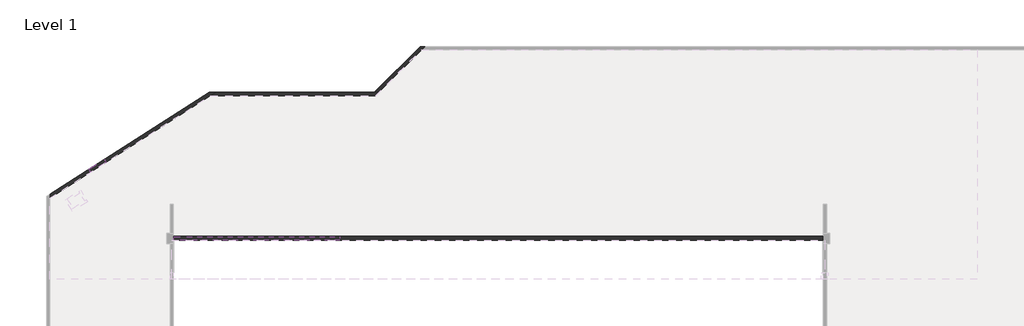
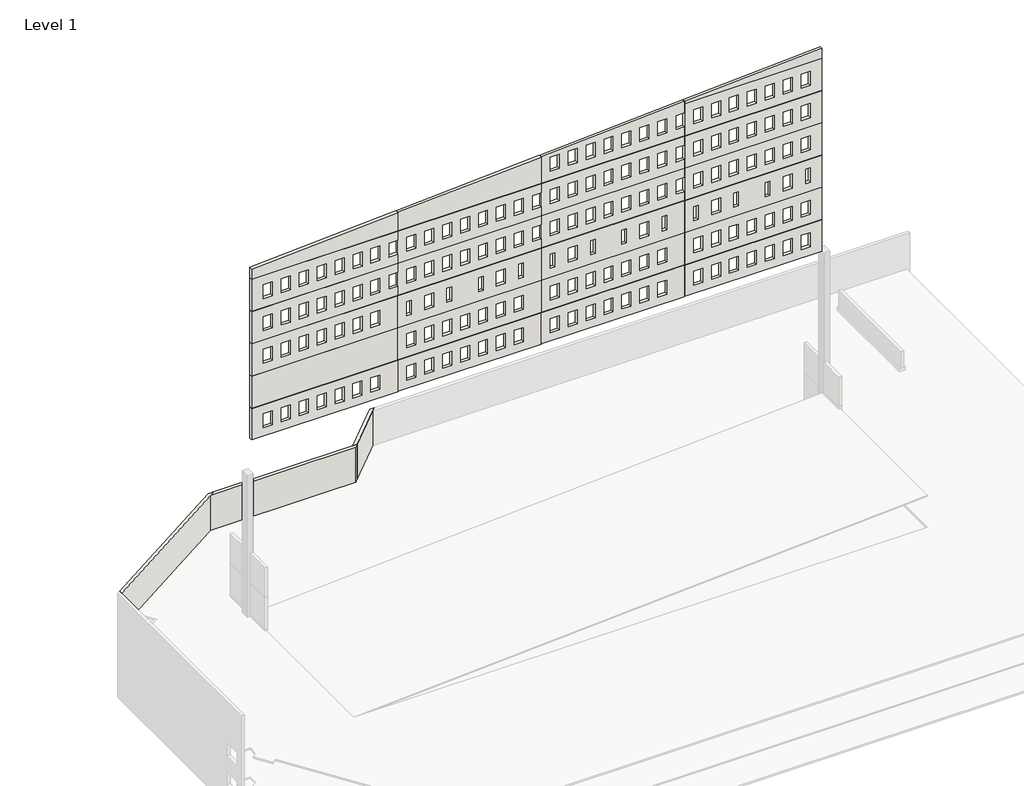
# One storey, part 3 of 4: 6 walls.
"""IFC4 building model written with IfcOpenShell, lengths in millimetres."""

from ifc_helpers import new_model, si_unit, frame, origin, place, context, project, spatial, polyline, outline, extrude, faceted_brep, element, save

model = new_model("IFC4")

# Units and contexts
model_context = context("Model", 3, world=origin())
ifc_project = project(units=[si_unit("LENGTHUNIT", "METRE", prefix="MILLI")], contexts=[model_context])

# Site, building, storey
site = spatial("IfcSite", under=ifc_project)
building = spatial("IfcBuilding", under=site)
storey = spatial("IfcBuildingStorey", under=building, Name="Level 1", Elevation=0.0)

# Walls
placement = place(None, origin())
element("IfcWall", 1, ObjectType="WPC 12\" CIP", at=placement, inside=storey, context=model_context, shape_type="Brep", body=[
    faceted_brep([(-1346.8441069, 19527.2837788, -660.4), (-15625.8776372, 10423.5273518, -660.4), (-15625.8776372, 10423.5273518, 10541.0), (-1346.8441069, 19527.2837788, 10541.0), (-10740.7196937, 13538.114059, 6068.9168432), (-12154.2666136, 12636.8915197, 6068.9168432), (-12154.2666136, 12636.8915197, 4512.4325063), (-10740.7196937, 13538.114059, 4512.4325063), (-10740.7196937, 13538.114059, 2970.1168432), (-12154.2666136, 12636.8915197, 2970.1168432), (-12154.2666136, 12636.8915197, 1413.6325063), (-10740.7196937, 13538.114059, 1413.6325063), (-15625.8776372, 10062.0489227, -660.4), (-1257.9452886, 19222.4837788, -660.4), (-779.8734668, 19527.2837788, -660.4), (-779.8734668, 19527.2837788, 10541.0), (-1257.9452886, 19222.4837788, 10541.0), (-15625.8776372, 10062.0489227, 10541.0), (-11990.4079701, 12379.8829888, 6068.9168432), (-10576.8610502, 13281.1055281, 6068.9168432), (-10576.8610502, 13281.1055281, 4512.4325063), (-11990.4079701, 12379.8829888, 4512.4325063), (-11990.4079701, 12379.8829888, 2970.1168432), (-10576.8610502, 13281.1055281, 2970.1168432), (-10576.8610502, 13281.1055281, 1413.6325063), (-11990.4079701, 12379.8829888, 1413.6325063)], [[[0, 1, 2, 3], [4, 5, 6, 7], [8, 9, 10, 11]], [[12, 13, 14, 15, 16, 17], [18, 19, 20, 21], [22, 23, 24, 25]], [[1, 0, 14, 13, 12]], [[3, 2, 17, 16, 15]], [[2, 1, 12, 17]], [[0, 3, 15, 14]], [[4, 19, 18, 5]], [[6, 21, 20, 7]], [[19, 4, 7, 20]], [[5, 18, 21, 6]], [[8, 23, 22, 9]], [[10, 25, 24, 11]], [[23, 8, 11, 24]], [[9, 22, 25, 10]]]),
])
element("IfcWall", 2, ObjectType="WPC 12\" CIP", at=placement, inside=storey, context=model_context, shape_type="Brep", body=[
    faceted_brep([(13852.3439556, 19527.2837788, -660.4), (13421.2916618, 19527.2837788, -660.4), (-779.8734668, 19527.2837788, -660.4), (-779.8734668, 19527.2837788, 10541.0), (13421.2916618, 19527.2837788, 10541.0), (13852.3439556, 19527.2837788, 10541.0), (13547.5439556, 19222.4837788, -660.4), (13547.5439556, 19222.4837788, 10541.0), (-1257.9452886, 19222.4837788, 10541.0), (-1257.9452886, 19222.4837788, -660.4)], [[[0, 1, 2, 3, 4, 5]], [[6, 7, 8, 9]], [[2, 1, 0, 6, 9]], [[5, 4, 3, 8, 7]], [[3, 2, 9, 8]], [[0, 5, 7, 6]]]),
])
element("IfcWall", 3, ObjectType="WPC 12\" CIP", at=placement, inside=storey, context=model_context, shape_type="Brep", body=[
    faceted_brep([(17536.0916618, 23642.0837788, -660.4), (13421.2916618, 19527.2837788, -660.4), (13421.2916618, 19527.2837788, 10541.0), (17536.0916618, 23642.0837788, 10541.0), (17967.1439556, 23642.0837788, -660.4), (17967.1439556, 23642.0837788, 10541.0), (17662.3439556, 23337.2837788, 10541.0), (13852.3439556, 19527.2837788, 10541.0), (13852.3439556, 19527.2837788, -660.4), (17662.3439556, 23337.2837788, -660.4)], [[[0, 1, 2, 3]], [[4, 5, 6, 7, 8, 9]], [[1, 0, 4, 9, 8]], [[3, 2, 7, 6, 5]], [[2, 1, 8, 7]], [[0, 3, 5, 4]]]),
])
element("IfcWall", 4, ObjectType="WPC 12\" CIP", at=placement, inside=storey, context=model_context, shape_type="SweptSolid", body=[
    extrude(outline(polyline([(-12154.2666136, 12636.8915197), (-10740.7196937, 13538.114059), (-10576.8610502, 13281.1055281), (-11990.4079701, 12379.8829888), (-12154.2666136, 12636.8915197)])), frame((0.0, 0.0, 1413.6325063), z_axis=(0.0, 0.0, 1.0), x_axis=(1.0, 0.0, 0.0)), (0.0, 0.0, 1.0), 1556.4843368),
])
element("IfcWall", 5, ObjectType="WPC 12\" Precast", at=placement, inside=storey, context=model_context, shape_type="SweptSolid", body=[
    extrude(outline(polyline([(25501.6, 39635.2784389), (25501.6, 53630.6784389), (28879.8, 53630.6784389), (28879.8, 39635.2784389), (25501.6, 39635.2784389)]), holes=[polyline([(27914.6, 40549.2082474), (27914.6, 41463.6082474), (26390.6, 41463.6082474), (26390.6, 40549.2082474), (27914.6, 40549.2082474)]), polyline([(27914.6, 42378.0082474), (27914.6, 43292.4082474), (26390.6, 43292.4082474), (26390.6, 42378.0082474), (27914.6, 42378.0082474)]), polyline([(27914.6, 44206.8082474), (27914.6, 45121.2082474), (26390.6, 45121.2082474), (26390.6, 44206.8082474), (27914.6, 44206.8082474)]), polyline([(27914.6, 46035.6082474), (27914.6, 46950.0082474), (26390.6, 46950.0082474), (26390.6, 46035.6082474), (27914.6, 46035.6082474)]), polyline([(27914.6, 47864.4082474), (27914.6, 48778.8082474), (26390.6, 48778.8082474), (26390.6, 47864.4082474), (27914.6, 47864.4082474)]), polyline([(27914.6, 49693.2082474), (27914.6, 50607.6082474), (26390.6, 50607.6082474), (26390.6, 49693.2082474), (27914.6, 49693.2082474)]), polyline([(27914.6, 51522.0082474), (27914.6, 52436.4082474), (26390.6, 52436.4082474), (26390.6, 51522.0082474), (27914.6, 51522.0082474)])]), frame((0.0, 6296.5319731, 0.0), z_axis=(0.0, 1.0, 0.0), x_axis=(0.0, 0.0, 1.0)), (0.0, 0.0, 1.0), 304.8),
    extrude(outline(polyline([(28879.8, -4535.3215611), (25501.6, -4535.3215611), (25501.6, 10349.8899163), (28879.8, 10349.8899163), (28879.8, -4535.3215611)]), holes=[polyline([(27914.6, -3348.8094349), (27914.6, -2434.4094349), (26390.6, -2434.4094349), (26390.6, -3348.8094349), (27914.6, -3348.8094349)]), polyline([(27914.6, -1520.0094349), (27914.6, -605.6094349), (26390.6, -605.6094349), (26390.6, -1520.0094349), (27914.6, -1520.0094349)]), polyline([(27914.6, 308.7905651), (27914.6, 1223.1905651), (26390.6, 1223.1905651), (26390.6, 308.7905651), (27914.6, 308.7905651)]), polyline([(27914.6, 2137.5905651), (27914.6, 3051.9905651), (26390.6, 3051.9905651), (26390.6, 2137.5905651), (27914.6, 2137.5905651)]), polyline([(27914.6, 3966.3905651), (27914.6, 4880.7905651), (26390.6, 4880.7905651), (26390.6, 3966.3905651), (27914.6, 3966.3905651)]), polyline([(27914.6, 5795.1905651), (27914.6, 6709.5905651), (26390.6, 6709.5905651), (26390.6, 5795.1905651), (27914.6, 5795.1905651)]), polyline([(27914.6, 7623.9905651), (27914.6, 8538.3905651), (26390.6, 8538.3905651), (26390.6, 7623.9905651), (27914.6, 7623.9905651)])]), frame((0.0, 6296.5319731, 0.0), z_axis=(0.0, 1.0, 0.0), x_axis=(0.0, 0.0, 1.0)), (0.0, 0.0, 1.0), 304.8),
    extrude(outline(polyline([(44801.348325, 10349.8899163), (43918.1071553, -4535.3215611), (42824.4, -4535.3215611), (42824.4, 10349.8899163), (44801.348325, 10349.8899163)])), frame((0.0, 6296.5319731, 0.0), z_axis=(0.0, 1.0, 0.0), x_axis=(0.0, 0.0, 1.0)), (0.0, 0.0, 1.0), 304.8),
    extrude(outline(polyline([(28905.2, 39635.2784389), (28905.2, 53630.6784389), (32359.6, 53630.6784389), (32359.6, 39635.2784389), (28905.2, 39635.2784389)]), holes=[polyline([(31394.4, 40549.2082474), (31394.4, 41463.6082474), (29870.4, 41463.6082474), (29870.4, 40549.2082474), (31394.4, 40549.2082474)]), polyline([(31394.4, 42378.0082474), (31394.4, 43292.4082474), (29870.4, 43292.4082474), (29870.4, 42378.0082474), (31394.4, 42378.0082474)]), polyline([(31394.4, 44206.8082474), (31394.4, 45121.2082474), (29870.4, 45121.2082474), (29870.4, 44206.8082474), (31394.4, 44206.8082474)]), polyline([(31394.4, 46035.6082474), (31394.4, 46950.0082474), (29870.4, 46950.0082474), (29870.4, 46035.6082474), (31394.4, 46035.6082474)]), polyline([(31394.4, 47864.4082474), (31394.4, 48778.8082474), (29870.4, 48778.8082474), (29870.4, 47864.4082474), (31394.4, 47864.4082474)]), polyline([(31394.4, 49693.2082474), (31394.4, 50607.6082474), (29870.4, 50607.6082474), (29870.4, 49693.2082474), (31394.4, 49693.2082474)]), polyline([(31394.4, 51522.0082474), (31394.4, 52436.4082474), (29870.4, 52436.4082474), (29870.4, 51522.0082474), (31394.4, 51522.0082474)])]), frame((0.0, 6296.5319731, 0.0), z_axis=(0.0, 1.0, 0.0), x_axis=(0.0, 0.0, 1.0)), (0.0, 0.0, 1.0), 304.8),
    extrude(outline(polyline([(32385.0, 39635.2784389), (32385.0, 53630.6784389), (35839.4, 53630.6784389), (35839.4, 39635.2784389), (32385.0, 39635.2784389)]), holes=[polyline([(34874.2, 40549.4854974), (34874.2, 41006.6854974), (33350.2, 41006.6854974), (33350.2, 40549.4854974), (34874.2, 40549.4854974)]), polyline([(34874.2, 42376.7781993), (34874.2, 43291.1781993), (33350.2, 43291.1781993), (33350.2, 42376.7781993), (34874.2, 42376.7781993)]), polyline([(34874.2, 49693.4854974), (34874.2, 50601.5354974), (33350.2, 50601.5354974), (33350.2, 49693.4854974), (34874.2, 49693.4854974)]), polyline([(34874.2, 51979.4854974), (34874.2, 52436.6854974), (33350.2, 52436.6854974), (33350.2, 51979.4854974), (34874.2, 51979.4854974)]), polyline([(34874.2, 44664.2854974), (34874.2, 45121.4854974), (33350.2, 45121.4854974), (33350.2, 44664.2854974), (34874.2, 44664.2854974)]), polyline([(34874.2, 47864.6854974), (34874.2, 48321.8854974), (33350.2, 48321.8854974), (33350.2, 47864.6854974), (34874.2, 47864.6854974)])]), frame((0.0, 6296.5319731, 0.0), z_axis=(0.0, 1.0, 0.0), x_axis=(0.0, 0.0, 1.0)), (0.0, 0.0, 1.0), 304.8),
    extrude(outline(polyline([(42824.4, 10374.9040333), (42824.4, 24979.9903678), (45669.4520167, 24979.9903678), (44802.8325833, 10374.9040333), (42824.4, 10374.9040333)])), frame((0.0, 6296.5319731, 0.0), z_axis=(0.0, 1.0, 0.0), x_axis=(0.0, 0.0, 1.0)), (0.0, 0.0, 1.0), 304.8),
    extrude(outline(polyline([(42824.4, 25005.0044847), (42824.4, 39610.264322), (43789.6, 39610.264322), (43789.6, 38720.8784389), (45313.6, 38720.8784389), (45313.6, 39610.264322), (46537.5660035, 39610.264322), (45670.936275, 25005.0044847), (42824.4, 25005.0044847)]), holes=[polyline([(45313.6, 25919.0854974), (45313.6, 26833.4854974), (43789.6, 26833.4854974), (43789.6, 25919.0854974), (45313.6, 25919.0854974)]), polyline([(45313.6, 27747.8854974), (45313.6, 28662.2854974), (43789.6, 28662.2854974), (43789.6, 27747.8854974), (45313.6, 27747.8854974)]), polyline([(45313.6, 29576.6854974), (45313.6, 30491.0854974), (43789.6, 30491.0854974), (43789.6, 29576.6854974), (45313.6, 29576.6854974)]), polyline([(45313.6, 31405.4854974), (45313.6, 32319.8854974), (43789.6, 32319.8854974), (43789.6, 31405.4854974), (45313.6, 31405.4854974)]), polyline([(45313.6, 33234.2854974), (45313.6, 34148.6854974), (43789.6, 34148.6854974), (43789.6, 33234.2854974), (45313.6, 33234.2854974)]), polyline([(45313.6, 35063.0854974), (45313.6, 35977.4854974), (43789.6, 35977.4854974), (43789.6, 35063.0854974), (45313.6, 35063.0854974)]), polyline([(45313.6, 36891.8854974), (45313.6, 37806.2854974), (43789.6, 37806.2854974), (43789.6, 36891.8854974), (45313.6, 36891.8854974)])]), frame((0.0, 6296.5319731, 0.0), z_axis=(0.0, 1.0, 0.0), x_axis=(0.0, 0.0, 1.0)), (0.0, 0.0, 1.0), 304.8),
    extrude(outline(polyline([(25501.6, 25005.0044847), (25501.6, 39610.264322), (28879.8, 39610.264322), (28879.8, 25005.0044847), (25501.6, 25005.0044847)]), holes=[polyline([(27914.6, 25918.8082474), (27914.6, 26833.2082474), (26390.6, 26833.2082474), (26390.6, 25918.8082474), (27914.6, 25918.8082474)]), polyline([(27914.6, 27747.6082474), (27914.6, 28662.0082474), (26390.6, 28662.0082474), (26390.6, 27747.6082474), (27914.6, 27747.6082474)]), polyline([(27914.6, 29576.4082474), (27914.6, 30490.8082474), (26390.6, 30490.8082474), (26390.6, 29576.4082474), (27914.6, 29576.4082474)]), polyline([(27914.6, 31405.2082474), (27914.6, 32319.6082474), (26390.6, 32319.6082474), (26390.6, 31405.2082474), (27914.6, 31405.2082474)]), polyline([(27914.6, 33234.0082474), (27914.6, 34148.4082474), (26390.6, 34148.4082474), (26390.6, 33234.0082474), (27914.6, 33234.0082474)]), polyline([(27914.6, 35062.8082474), (27914.6, 35977.2082474), (26390.6, 35977.2082474), (26390.6, 35062.8082474), (27914.6, 35062.8082474)]), polyline([(27914.6, 36891.6082474), (27914.6, 37806.0082474), (26390.6, 37806.0082474), (26390.6, 36891.6082474), (27914.6, 36891.6082474)])]), frame((0.0, 6296.5319731, 0.0), z_axis=(0.0, 1.0, 0.0), x_axis=(0.0, 0.0, 1.0)), (0.0, 0.0, 1.0), 304.8),
    extrude(outline(polyline([(25501.6, 10374.9040333), (25501.6, 24979.9903678), (28879.8, 24979.9903678), (28879.8, 10374.9040333), (25501.6, 10374.9040333)]), holes=[polyline([(27914.6, 11288.6854974), (27914.6, 12203.0854974), (26390.6, 12203.0854974), (26390.6, 11288.6854974), (27914.6, 11288.6854974)]), polyline([(27914.6, 13117.4854974), (27914.6, 14031.8854974), (26390.6, 14031.8854974), (26390.6, 13117.4854974), (27914.6, 13117.4854974)]), polyline([(27914.6, 14946.2854974), (27914.6, 15860.6854974), (26390.6, 15860.6854974), (26390.6, 14946.2854974), (27914.6, 14946.2854974)]), polyline([(27914.6, 16775.0854974), (27914.6, 17689.4854974), (26390.6, 17689.4854974), (26390.6, 16775.0854974), (27914.6, 16775.0854974)]), polyline([(27914.6, 18603.8854974), (27914.6, 19518.2854974), (26390.6, 19518.2854974), (26390.6, 18603.8854974), (27914.6, 18603.8854974)]), polyline([(27914.6, 20432.6854974), (27914.6, 21347.0854974), (26390.6, 21347.0854974), (26390.6, 20432.6854974), (27914.6, 20432.6854974)]), polyline([(27914.6, 22261.4854974), (27914.6, 23175.8854974), (26390.6, 23175.8854974), (26390.6, 22261.4854974), (27914.6, 22261.4854974)])]), frame((0.0, 6296.5319731, 0.0), z_axis=(0.0, 1.0, 0.0), x_axis=(0.0, 0.0, 1.0)), (0.0, 0.0, 1.0), 304.8),
    extrude(outline(polyline([(42799.0, -4535.3215611), (39344.6, -4535.3215611), (39344.6, 10349.8899163), (40309.8, 10349.8899163), (40309.8, 9447.8486304), (41833.8, 9447.8486304), (41833.8, 10349.8899163), (42799.0, 10349.8899163), (42799.0, -4535.3215611)]), holes=[polyline([(41833.8, -3341.1600026), (41833.8, -2426.7600026), (40309.8, -2426.7600026), (40309.8, -3341.1600026), (41833.8, -3341.1600026)]), polyline([(41833.8, -1512.3600026), (41833.8, -597.9600026), (40309.8, -597.9600026), (40309.8, -1512.3600026), (41833.8, -1512.3600026)]), polyline([(41833.8, 316.4399974), (41833.8, 1230.8399974), (40309.8, 1230.8399974), (40309.8, 316.4399974), (41833.8, 316.4399974)]), polyline([(41833.8, 2145.2399974), (41833.8, 3059.6399974), (40309.8, 3059.6399974), (40309.8, 2145.2399974), (41833.8, 2145.2399974)]), polyline([(41833.8, 3974.0399974), (41833.8, 4888.4399974), (40309.8, 4888.4399974), (40309.8, 3974.0399974), (41833.8, 3974.0399974)]), polyline([(41833.8, 5802.8399974), (41833.8, 6717.2399974), (40309.8, 6717.2399974), (40309.8, 5802.8399974), (41833.8, 5802.8399974)]), polyline([(41833.8, 7631.6399974), (41833.8, 8546.0399974), (40309.8, 8546.0399974), (40309.8, 7631.6399974), (41833.8, 7631.6399974)])]), frame((0.0, 6296.5319731, 0.0), z_axis=(0.0, 1.0, 0.0), x_axis=(0.0, 0.0, 1.0)), (0.0, 0.0, 1.0), 304.8),
    extrude(outline(polyline([(42799.0, 10374.9040333), (40311.3045091, 10374.9040333), (39344.6, 10374.9040333), (39344.6, 24979.9903678), (40309.8, 24979.9903678), (40309.8, 24077.9713805), (41833.8, 24077.9713805), (41833.8, 24979.9903678), (42799.0, 24979.9903678), (42799.0, 10374.9040333)]), holes=[polyline([(41833.8, 11288.6854974), (41833.8, 12203.0854974), (40309.8, 12203.0854974), (40309.8, 11288.6854974), (41833.8, 11288.6854974)]), polyline([(41833.8, 13117.4854974), (41833.8, 14031.8854974), (40309.8, 14031.8854974), (40309.8, 13117.4854974), (41833.8, 13117.4854974)]), polyline([(41833.8, 14946.2854974), (41833.8, 15860.6854974), (40309.8, 15860.6854974), (40309.8, 14946.2854974), (41833.8, 14946.2854974)]), polyline([(41833.8, 16775.0854974), (41833.8, 17689.4854974), (40309.8, 17689.4854974), (40309.8, 16775.0854974), (41833.8, 16775.0854974)]), polyline([(41833.8, 18603.8854974), (41833.8, 19518.2854974), (40309.8, 19518.2854974), (40309.8, 18603.8854974), (41833.8, 18603.8854974)]), polyline([(41833.8, 20432.6854974), (41833.8, 21347.0854974), (40309.8, 21347.0854974), (40309.8, 20432.6854974), (41833.8, 20432.6854974)]), polyline([(41833.8, 22261.4854974), (41833.8, 23175.8854974), (40309.8, 23175.8854974), (40309.8, 22261.4854974), (41833.8, 22261.4854974)])]), frame((0.0, 6296.5319731, 0.0), z_axis=(0.0, 1.0, 0.0), x_axis=(0.0, 0.0, 1.0)), (0.0, 0.0, 1.0), 304.8),
    extrude(outline(polyline([(42799.0, 25005.0044847), (39344.6, 25005.0044847), (39344.6, 39610.264322), (40309.8, 39610.264322), (40309.8, 38720.8784389), (41833.8, 38720.8784389), (41833.8, 39610.264322), (42799.0, 39610.264322), (42799.0, 25005.0044847)]), holes=[polyline([(41833.8, 25919.0854974), (41833.8, 26833.4854974), (40309.8, 26833.4854974), (40309.8, 25919.0854974), (41833.8, 25919.0854974)]), polyline([(41833.8, 27747.8854974), (41833.8, 28662.2854974), (40309.8, 28662.2854974), (40309.8, 27747.8854974), (41833.8, 27747.8854974)]), polyline([(41833.8, 29576.6854974), (41833.8, 30491.0854974), (40309.8, 30491.0854974), (40309.8, 29576.6854974), (41833.8, 29576.6854974)]), polyline([(41833.8, 31405.4854974), (41833.8, 32319.8854974), (40309.8, 32319.8854974), (40309.8, 31405.4854974), (41833.8, 31405.4854974)]), polyline([(41833.8, 33234.2854974), (41833.8, 34148.6854974), (40309.8, 34148.6854974), (40309.8, 33234.2854974), (41833.8, 33234.2854974)]), polyline([(41833.8, 35063.0854974), (41833.8, 35977.4854974), (40309.8, 35977.4854974), (40309.8, 35063.0854974), (41833.8, 35063.0854974)]), polyline([(41833.8, 36891.8854974), (41833.8, 37806.2854974), (40309.8, 37806.2854974), (40309.8, 36891.8854974), (41833.8, 36891.8854974)])]), frame((0.0, 6296.5319731, 0.0), z_axis=(0.0, 1.0, 0.0), x_axis=(0.0, 0.0, 1.0)), (0.0, 0.0, 1.0), 304.8),
    extrude(outline(polyline([(39319.2, 10374.9040333), (35864.8, 10374.9040333), (35864.8, 24979.9903678), (36830.0, 24979.9903678), (36830.0, 24077.9713805), (38354.0, 24077.9713805), (38354.0, 24979.9903678), (39319.2, 24979.9903678), (39319.2, 10374.9040333)]), holes=[polyline([(38354.0, 11288.6854974), (38354.0, 12203.0854974), (36830.0, 12203.0854974), (36830.0, 11288.6854974), (38354.0, 11288.6854974)]), polyline([(38354.0, 13117.4854974), (38354.0, 14031.8854974), (36830.0, 14031.8854974), (36830.0, 13117.4854974), (38354.0, 13117.4854974)]), polyline([(38354.0, 14946.2854974), (38354.0, 15860.6854974), (36830.0, 15860.6854974), (36830.0, 14946.2854974), (38354.0, 14946.2854974)]), polyline([(38354.0, 16775.0854974), (38354.0, 17689.4854974), (36830.0, 17689.4854974), (36830.0, 16775.0854974), (38354.0, 16775.0854974)]), polyline([(38354.0, 18603.8854974), (38354.0, 19518.2854974), (36830.0, 19518.2854974), (36830.0, 18603.8854974), (38354.0, 18603.8854974)]), polyline([(38354.0, 20432.6854974), (38354.0, 21347.0854974), (36830.0, 21347.0854974), (36830.0, 20432.6854974), (38354.0, 20432.6854974)]), polyline([(38354.0, 22261.4854974), (38354.0, 23175.8854974), (36830.0, 23175.8854974), (36830.0, 22261.4854974), (38354.0, 22261.4854974)])]), frame((0.0, 6296.5319731, 0.0), z_axis=(0.0, 1.0, 0.0), x_axis=(0.0, 0.0, 1.0)), (0.0, 0.0, 1.0), 304.8),
    extrude(outline(polyline([(39319.2, -4535.3215611), (35864.8, -4535.3215611), (35864.8, 10349.8899163), (36830.0, 10349.8899163), (36830.0, 9447.8486304), (38354.0, 9447.8486304), (38354.0, 10349.8899163), (39319.2, 10349.8899163), (39319.2, -4535.3215611)]), holes=[polyline([(38354.0, -3341.1600026), (38354.0, -2426.7600026), (36830.0, -2426.7600026), (36830.0, -3341.1600026), (38354.0, -3341.1600026)]), polyline([(38354.0, -1512.3600026), (38354.0, -597.9600026), (36830.0, -597.9600026), (36830.0, -1512.3600026), (38354.0, -1512.3600026)]), polyline([(38354.0, 316.4399974), (38354.0, 1230.8399974), (36830.0, 1230.8399974), (36830.0, 316.4399974), (38354.0, 316.4399974)]), polyline([(38354.0, 2145.2399974), (38354.0, 3059.6399974), (36830.0, 3059.6399974), (36830.0, 2145.2399974), (38354.0, 2145.2399974)]), polyline([(38354.0, 3974.0399974), (38354.0, 4888.4399974), (36830.0, 4888.4399974), (36830.0, 3974.0399974), (38354.0, 3974.0399974)]), polyline([(38354.0, 5802.8399974), (38354.0, 6717.2399974), (36830.0, 6717.2399974), (36830.0, 5802.8399974), (38354.0, 5802.8399974)]), polyline([(38354.0, 7631.6399974), (38354.0, 8546.0399974), (36830.0, 8546.0399974), (36830.0, 7631.6399974), (38354.0, 7631.6399974)])]), frame((0.0, 6296.5319731, 0.0), z_axis=(0.0, 1.0, 0.0), x_axis=(0.0, 0.0, 1.0)), (0.0, 0.0, 1.0), 304.8),
    extrude(outline(polyline([(32385.0, 10374.9040333), (32385.0, 24979.9903678), (35839.4, 24979.9903678), (35839.4, 10374.9040333), (32385.0, 10374.9040333)]), holes=[polyline([(34874.2, 11288.6854974), (34874.2, 11745.8854974), (33350.2, 11745.8854974), (33350.2, 11288.6854974), (34874.2, 11288.6854974)]), polyline([(34874.2, 13117.4854974), (34874.2, 14031.8854974), (33350.2, 14031.8854974), (33350.2, 13117.4854974), (34874.2, 13117.4854974)]), polyline([(34874.2, 15379.7281953), (34874.2, 15860.6854974), (33350.2, 15860.6854974), (33350.2, 15379.7281953), (34874.2, 15379.7281953)]), polyline([(34874.2, 18603.8854974), (34874.2, 19096.3484124), (33350.2, 19096.3484124), (33350.2, 18603.8854974), (34874.2, 18603.8854974)]), polyline([(34874.2, 20432.6854974), (34874.2, 21347.0854974), (33350.2, 21347.0854974), (33350.2, 20432.6854974), (34874.2, 20432.6854974)]), polyline([(34874.2, 22718.6854974), (34874.2, 23175.8854974), (33350.2, 23175.8854974), (33350.2, 22718.6854974), (34874.2, 22718.6854974)])]), frame((0.0, 6296.5319731, 0.0), z_axis=(0.0, 1.0, 0.0), x_axis=(0.0, 0.0, 1.0)), (0.0, 0.0, 1.0), 304.8),
    extrude(outline(polyline([(35839.4, -4535.3215611), (32385.0, -4535.3215611), (32385.0, 10349.8899163), (35839.4, 10349.8899163), (35839.4, -4535.3215611)]), holes=[polyline([(34874.2, -3341.1600026), (34874.2, -2426.7600026), (33350.2, -2426.7600026), (33350.2, -3341.1600026), (34874.2, -3341.1600026)]), polyline([(34874.2, -1512.3600026), (34874.2, -597.9600026), (33350.2, -597.9600026), (33350.2, -1512.3600026), (34874.2, -1512.3600026)]), polyline([(34874.2, 316.4399974), (34874.2, 1230.8399974), (33350.2, 1230.8399974), (33350.2, 316.4399974), (34874.2, 316.4399974)]), polyline([(34874.2, 2145.2399974), (34874.2, 3059.6399974), (33350.2, 3059.6399974), (33350.2, 2145.2399974), (34874.2, 2145.2399974)]), polyline([(34874.2, 3974.0399974), (34874.2, 4888.4399974), (33350.2, 4888.4399974), (33350.2, 3974.0399974), (34874.2, 3974.0399974)]), polyline([(34874.2, 5802.8399974), (34874.2, 6717.2399974), (33350.2, 6717.2399974), (33350.2, 5802.8399974), (34874.2, 5802.8399974)]), polyline([(34874.2, 7631.6399974), (34874.2, 8546.0399974), (33350.2, 8546.0399974), (33350.2, 7631.6399974), (34874.2, 7631.6399974)])]), frame((0.0, 6296.5319731, 0.0), z_axis=(0.0, 1.0, 0.0), x_axis=(0.0, 0.0, 1.0)), (0.0, 0.0, 1.0), 304.8),
    extrude(outline(polyline([(28905.2, 10374.9040333), (28905.2, 24979.9903678), (32359.6, 24979.9903678), (32359.6, 10374.9040333), (28905.2, 10374.9040333)]), holes=[polyline([(31394.4, 11288.6854974), (31394.4, 12203.0854974), (29870.4, 12203.0854974), (29870.4, 11288.6854974), (31394.4, 11288.6854974)]), polyline([(31394.4, 13117.4854974), (31394.4, 14031.8854974), (29870.4, 14031.8854974), (29870.4, 13117.4854974), (31394.4, 13117.4854974)]), polyline([(31394.4, 14946.2854974), (31394.4, 15860.6854974), (29870.4, 15860.6854974), (29870.4, 14946.2854974), (31394.4, 14946.2854974)]), polyline([(31394.4, 16775.0854974), (31394.4, 17689.4854974), (29870.4, 17689.4854974), (29870.4, 16775.0854974), (31394.4, 16775.0854974)]), polyline([(31394.4, 18603.8854974), (31394.4, 19518.2854974), (29870.4, 19518.2854974), (29870.4, 18603.8854974), (31394.4, 18603.8854974)]), polyline([(31394.4, 20432.6854974), (31394.4, 21347.0854974), (29870.4, 21347.0854974), (29870.4, 20432.6854974), (31394.4, 20432.6854974)]), polyline([(31394.4, 22261.4854974), (31394.4, 23175.8854974), (29870.4, 23175.8854974), (29870.4, 22261.4854974), (31394.4, 22261.4854974)])]), frame((0.0, 6296.5319731, 0.0), z_axis=(0.0, 1.0, 0.0), x_axis=(0.0, 0.0, 1.0)), (0.0, 0.0, 1.0), 304.8),
    extrude(outline(polyline([(-4535.3215611, 6601.3319731), (10349.8899163, 6601.3319731), (10349.8899163, 6296.5319731), (-4535.3215611, 6296.5319731), (-4535.3215611, 6601.3319731)])), frame((0.0, 0.0, 28905.2), z_axis=(0.0, 0.0, 1.0), x_axis=(1.0, 0.0, 0.0)), (0.0, 0.0, 1.0), 3454.4),
    extrude(outline(polyline([(32385.0, 25005.0044847), (32385.0, 39610.264322), (35839.4, 39610.264322), (35839.4, 25005.0044847), (32385.0, 25005.0044847)]), holes=[polyline([(34874.2, 25919.0854974), (34874.2, 26376.2854974), (33350.2, 26376.2854974), (33350.2, 25919.0854974), (34874.2, 25919.0854974)]), polyline([(34874.2, 27747.8854974), (34874.2, 28662.2854974), (33350.2, 28662.2854974), (33350.2, 27747.8854974), (34874.2, 27747.8854974)]), polyline([(34874.2, 35063.0854974), (34874.2, 35977.4854974), (33350.2, 35977.4854974), (33350.2, 35063.0854974), (34874.2, 35063.0854974)]), polyline([(34874.2, 37349.0854974), (34874.2, 37806.2854974), (33350.2, 37806.2854974), (33350.2, 37349.0854974), (34874.2, 37349.0854974)]), polyline([(34874.2, 30033.8854974), (34874.2, 30491.0854974), (33350.2, 30491.0854974), (33350.2, 30033.8854974), (34874.2, 30033.8854974)]), polyline([(34874.2, 33234.2854974), (34874.2, 33691.4854974), (33350.2, 33691.4854974), (33350.2, 33234.2854974), (34874.2, 33234.2854974)])]), frame((0.0, 6296.5319731, 0.0), z_axis=(0.0, 1.0, 0.0), x_axis=(0.0, 0.0, 1.0)), (0.0, 0.0, 1.0), 304.8),
    extrude(outline(polyline([(28905.2, 25005.0044847), (28905.2, 39610.264322), (32359.6, 39610.264322), (32359.6, 25005.0044847), (28905.2, 25005.0044847)]), holes=[polyline([(31394.4, 25918.8082474), (31394.4, 26833.2082474), (29870.4, 26833.2082474), (29870.4, 25918.8082474), (31394.4, 25918.8082474)]), polyline([(31394.4, 27747.6082474), (31394.4, 28662.0082474), (29870.4, 28662.0082474), (29870.4, 27747.6082474), (31394.4, 27747.6082474)]), polyline([(31394.4, 29576.4082474), (31394.4, 30490.8082474), (29870.4, 30490.8082474), (29870.4, 29576.4082474), (31394.4, 29576.4082474)]), polyline([(31394.4, 31405.2082474), (31394.4, 32319.6082474), (29870.4, 32319.6082474), (29870.4, 31405.2082474), (31394.4, 31405.2082474)]), polyline([(31394.4, 33234.0082474), (31394.4, 34148.4082474), (29870.4, 34148.4082474), (29870.4, 33234.0082474), (31394.4, 33234.0082474)]), polyline([(31394.4, 35062.8082474), (31394.4, 35977.2082474), (29870.4, 35977.2082474), (29870.4, 35062.8082474), (31394.4, 35062.8082474)]), polyline([(31394.4, 36891.6082474), (31394.4, 37806.0082474), (29870.4, 37806.0082474), (29870.4, 36891.6082474), (31394.4, 36891.6082474)])]), frame((0.0, 6296.5319731, 0.0), z_axis=(0.0, 1.0, 0.0), x_axis=(0.0, 0.0, 1.0)), (0.0, 0.0, 1.0), 304.8),
    extrude(outline(polyline([(46304.2, 53630.6784389), (47369.4928447, 53630.6784389), (46539.0502618, 39635.2784389), (46304.2, 39635.2784389), (46304.2, 53630.6784389)])), frame((0.0, 6296.5319731, 0.0), z_axis=(0.0, 1.0, 0.0), x_axis=(0.0, 0.0, 1.0)), (0.0, 0.0, 1.0), 304.8),
    extrude(outline(polyline([(42824.4, 39635.2784389), (42824.4, 53630.6784389), (46278.8, 53630.6784389), (46278.8, 39635.2784389), (42824.4, 39635.2784389)]), holes=[polyline([(45313.6, 40549.4854974), (45313.6, 41463.8854974), (43789.6, 41463.8854974), (43789.6, 40549.4854974), (45313.6, 40549.4854974)]), polyline([(45313.6, 42378.2854974), (45313.6, 43292.6854974), (43789.6, 43292.6854974), (43789.6, 42378.2854974), (45313.6, 42378.2854974)]), polyline([(45313.6, 44207.0854974), (45313.6, 45121.4854974), (43789.6, 45121.4854974), (43789.6, 44207.0854974), (45313.6, 44207.0854974)]), polyline([(45313.6, 46035.8854974), (45313.6, 46950.2854974), (43789.6, 46950.2854974), (43789.6, 46035.8854974), (45313.6, 46035.8854974)]), polyline([(45313.6, 47864.6854974), (45313.6, 48779.0854974), (43789.6, 48779.0854974), (43789.6, 47864.6854974), (45313.6, 47864.6854974)]), polyline([(45313.6, 49693.4854974), (45313.6, 50607.8854974), (43789.6, 50607.8854974), (43789.6, 49693.4854974), (45313.6, 49693.4854974)]), polyline([(45313.6, 51522.2854974), (45313.6, 52436.6854974), (43789.6, 52436.6854974), (43789.6, 51522.2854974), (45313.6, 51522.2854974)])]), frame((0.0, 6296.5319731, 0.0), z_axis=(0.0, 1.0, 0.0), x_axis=(0.0, 0.0, 1.0)), (0.0, 0.0, 1.0), 304.8),
    extrude(outline(polyline([(35864.8, 39635.2784389), (35864.8, 53630.6784389), (39319.2, 53630.6784389), (39319.2, 39635.2784389), (35864.8, 39635.2784389)]), holes=[polyline([(38354.0, 40549.4854974), (38354.0, 41463.8854974), (36830.0, 41463.8854974), (36830.0, 40549.4854974), (38354.0, 40549.4854974)]), polyline([(38354.0, 42378.2854974), (38354.0, 43292.6854974), (36830.0, 43292.6854974), (36830.0, 42378.2854974), (38354.0, 42378.2854974)]), polyline([(38354.0, 44207.0854974), (38354.0, 45121.4854974), (36830.0, 45121.4854974), (36830.0, 44207.0854974), (38354.0, 44207.0854974)]), polyline([(38354.0, 46035.8854974), (38354.0, 46950.2854974), (36830.0, 46950.2854974), (36830.0, 46035.8854974), (38354.0, 46035.8854974)]), polyline([(38354.0, 47864.6854974), (38354.0, 48779.0854974), (36830.0, 48779.0854974), (36830.0, 47864.6854974), (38354.0, 47864.6854974)]), polyline([(38354.0, 49693.4854974), (38354.0, 50607.8854974), (36830.0, 50607.8854974), (36830.0, 49693.4854974), (38354.0, 49693.4854974)]), polyline([(38354.0, 51522.2854974), (38354.0, 52436.6854974), (36830.0, 52436.6854974), (36830.0, 51522.2854974), (38354.0, 51522.2854974)])]), frame((0.0, 6296.5319731, 0.0), z_axis=(0.0, 1.0, 0.0), x_axis=(0.0, 0.0, 1.0)), (0.0, 0.0, 1.0), 304.8),
    extrude(outline(polyline([(39344.6, 39635.2784389), (39344.6, 53630.6784389), (42799.0, 53630.6784389), (42799.0, 39635.2784389), (39344.6, 39635.2784389)]), holes=[polyline([(41833.8, 40549.4854974), (41833.8, 41463.8854974), (40309.8, 41463.8854974), (40309.8, 40549.4854974), (41833.8, 40549.4854974)]), polyline([(41833.8, 42378.2854974), (41833.8, 43292.6854974), (40309.8, 43292.6854974), (40309.8, 42378.2854974), (41833.8, 42378.2854974)]), polyline([(41833.8, 44207.0854974), (41833.8, 45121.4854974), (40309.8, 45121.4854974), (40309.8, 44207.0854974), (41833.8, 44207.0854974)]), polyline([(41833.8, 46035.8854974), (41833.8, 46950.2854974), (40309.8, 46950.2854974), (40309.8, 46035.8854974), (41833.8, 46035.8854974)]), polyline([(41833.8, 47864.6854974), (41833.8, 48779.0854974), (40309.8, 48779.0854974), (40309.8, 47864.6854974), (41833.8, 47864.6854974)]), polyline([(41833.8, 49693.4854974), (41833.8, 50607.8854974), (40309.8, 50607.8854974), (40309.8, 49693.4854974), (41833.8, 49693.4854974)]), polyline([(41833.8, 51522.2854974), (41833.8, 52436.6854974), (40309.8, 52436.6854974), (40309.8, 51522.2854974), (41833.8, 51522.2854974)])]), frame((0.0, 6296.5319731, 0.0), z_axis=(0.0, 1.0, 0.0), x_axis=(0.0, 0.0, 1.0)), (0.0, 0.0, 1.0), 304.8),
    extrude(outline(polyline([(39319.2, 25005.0044847), (35864.8, 25005.0044847), (35864.8, 39603.914322), (36830.0, 39603.914322), (36830.0, 38720.8784389), (38354.0, 38720.8784389), (38354.0, 39610.264322), (39319.2, 39610.264322), (39319.2, 25005.0044847)]), holes=[polyline([(38354.0, 25919.0854974), (38354.0, 26833.4854974), (36830.0, 26833.4854974), (36830.0, 25919.0854974), (38354.0, 25919.0854974)]), polyline([(38354.0, 27747.8854974), (38354.0, 28662.2854974), (36830.0, 28662.2854974), (36830.0, 27747.8854974), (38354.0, 27747.8854974)]), polyline([(38354.0, 29576.6854974), (38354.0, 30491.0854974), (36830.0, 30491.0854974), (36830.0, 29576.6854974), (38354.0, 29576.6854974)]), polyline([(38354.0, 31405.4854974), (38354.0, 32319.8854974), (36830.0, 32319.8854974), (36830.0, 31405.4854974), (38354.0, 31405.4854974)]), polyline([(38354.0, 33234.2854974), (38354.0, 34148.6854974), (36830.0, 34148.6854974), (36830.0, 33234.2854974), (38354.0, 33234.2854974)]), polyline([(38354.0, 35063.0854974), (38354.0, 35977.4854974), (36830.0, 35977.4854974), (36830.0, 35063.0854974), (38354.0, 35063.0854974)]), polyline([(38354.0, 36891.8854974), (38354.0, 37806.2854974), (36830.0, 37806.2854974), (36830.0, 36891.8854974), (38354.0, 36891.8854974)])]), frame((0.0, 6296.5319731, 0.0), z_axis=(0.0, 1.0, 0.0), x_axis=(0.0, 0.0, 1.0)), (0.0, 0.0, 1.0), 304.8),
])
element("IfcWall", 6, ObjectType="WPC 14\" CIP Foundation", at=placement, inside=storey, context=model_context, shape_type="SweptSolid", body=[
    extrude(outline(polyline([(53630.6784389, 6271.1319731), (-4535.3215611, 6271.1319731), (-4535.3215611, 6626.7319731), (53630.6784389, 6626.7319731), (53630.6784389, 6271.1319731)])), frame((0.0, 0.0, -609.6), z_axis=(0.0, 0.0, 1.0), x_axis=(1.0, 0.0, 0.0)), (0.0, 0.0, 1.0), 4165.6),
])

save(model, "model.ifc")
